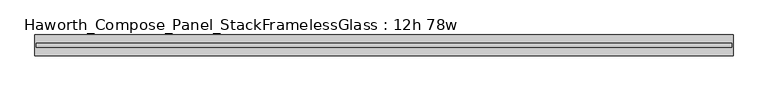
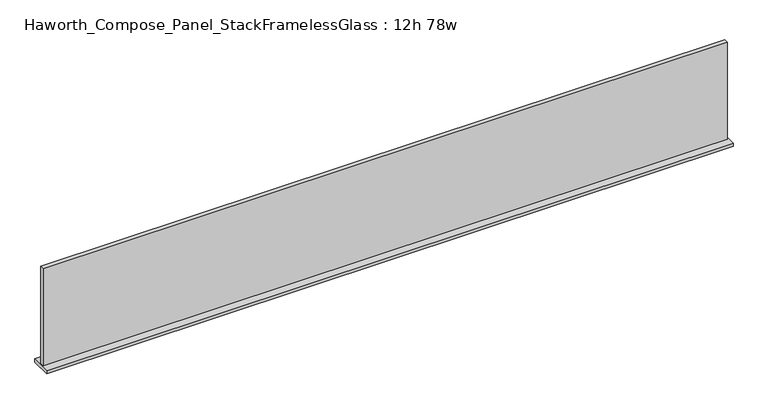
"""IFC4 building model written with IfcOpenShell, lengths in millimetres: furniture geometry, Haworth_Compose_Panel_StackFramelessGlass : 12h 78w."""

from ifc_helpers import new_model, si_unit, frame, origin, place, context, project, spatial, polyline, outline, extrude, source, transform, mapped, element, save


def haworth_compose_panel_stackframelessglass_12h_78w_81dc59f7(model_context):
    return source(origin(), model_context, "Body", "SweptSolid", [
        extrude(outline(polyline([(989.8652902, -27.3093594), (-984.9847098, -27.3093594), (-984.9847098, -14.6093594), (989.8652902, -14.6093594), (989.8652902, -27.3093594)])), frame((0.0, 0.0, 1279.525), z_axis=(0.0, 0.0, 1.0), x_axis=(1.0, 0.0, 0.0)), (0.0, 0.0, 1.0), 295.275),
        extrude(outline(polyline([(-988.1597098, -50.3281094), (-988.1597098, 8.4093906), (993.0402902, 8.4093906), (993.0402902, -50.3281094), (-988.1597098, -50.3281094)])), frame((0.0, 0.0, 1270.0), z_axis=(0.0, 0.0, 1.0), x_axis=(1.0, 0.0, 0.0)), (0.0, 0.0, 1.0), 9.525),
    ])


if __name__ == "__main__":
    model = new_model("IFC4")
    model_context = context("Model", 3, world=origin())
    ifc_project = project(units=[si_unit("LENGTHUNIT", "METRE", prefix="MILLI")], contexts=[model_context])
    site = spatial("IfcSite", under=ifc_project)
    building = spatial("IfcBuilding", under=site)
    placement = place(None, origin())
    haworth_compose_panel_stackframelessglass_12h_78w_shape = haworth_compose_panel_stackframelessglass_12h_78w_81dc59f7(model_context)
    element("IfcFurniture", 1, ObjectType="Haworth_Compose_Panel_StackFramelessGlass : 12h 78w", at=placement, inside=building, context=model_context, shape_type="MappedRepresentation", body=[
        mapped(haworth_compose_panel_stackframelessglass_12h_78w_shape, transform((0.0, 0.0, 0.0), x_axis=(1.0, 0.0, 0.0), y_axis=(0.0, 1.0, 0.0), z_axis=(0.0, 0.0, 1.0))),
    ])
    save(model, "model.ifc")
